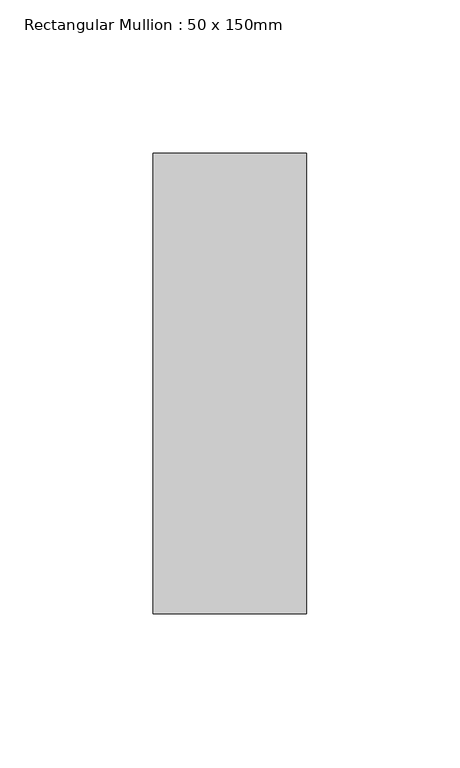
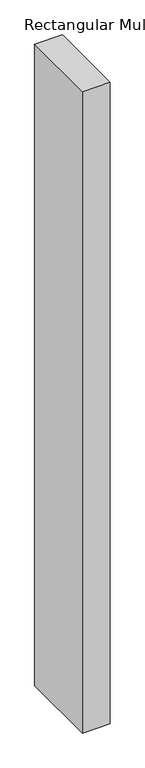
"""IFC4 building model written with IfcOpenShell, lengths in millimetres: member geometry, Rectangular Mullion : 50 x 150mm."""

from ifc_helpers import new_model, si_unit, frame, origin, place, context, project, spatial, polyline, outline, extrude, source, transform, mapped, element, save


def rectangular_mullion_50_x_150mm_b52ac84d(model_context):
    return source(origin(), model_context, "Body", "SweptSolid", [
        extrude(outline(polyline([(0.0, 75.0), (0.0, -75.0), (-50.0, -75.0), (-50.0, 75.0), (0.0, 75.0)])), frame((0.0, 0.0, -1228.5977744), z_axis=(0.0, 0.0, 1.0), x_axis=(1.0, 0.0, 0.0)), (0.0, 0.0, 1.0), 1228.5977744),
    ])


if __name__ == "__main__":
    model = new_model("IFC4")
    model_context = context("Model", 3, world=origin())
    ifc_project = project(units=[si_unit("LENGTHUNIT", "METRE", prefix="MILLI")], contexts=[model_context])
    site = spatial("IfcSite", under=ifc_project)
    building = spatial("IfcBuilding", under=site)
    placement = place(None, origin())
    rectangular_mullion_50_x_150mm_shape = rectangular_mullion_50_x_150mm_b52ac84d(model_context)
    element("IfcMember", 1, ObjectType="Rectangular Mullion : 50 x 150mm", at=placement, inside=building, context=model_context, shape_type="MappedRepresentation", body=[
        mapped(rectangular_mullion_50_x_150mm_shape, transform((0.0, 0.0, 0.0), x_axis=(1.0, 0.0, 0.0), y_axis=(0.0, 1.0, 0.0), z_axis=(0.0, 0.0, 1.0))),
    ])
    save(model, "model.ifc")
